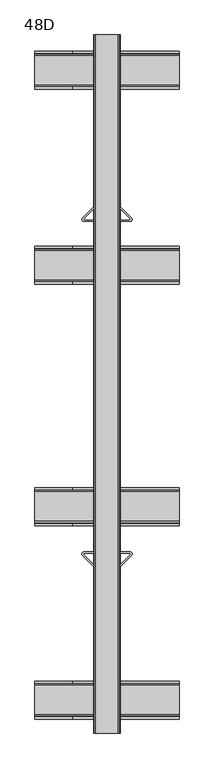
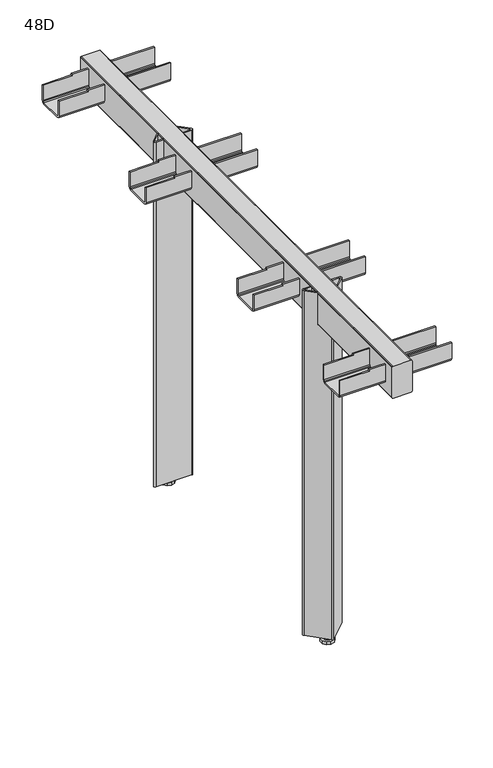
"""IFC4 building model written with IfcOpenShell, lengths in millimetres: furniture geometry, 48D."""

from ifc_helpers import new_model, si_unit, frame, origin, origin_with_axes, place, context, project, spatial, polyline, circle_curve, outline, extrude, faceted_brep, source, transform, mapped, element, save
from ifc_brep_helpers import plane_surface, cylinder_surface, revolved_surface, advanced_brep


def furniture_48d_7813a06a(model_context):
    return source(origin(), model_context, "Body", "SolidModel", [
        advanced_brep(
        [(68.9281289, -871.3117113, 696.230904), (85.4456, -887.8291824, 696.230904), (85.4456, -885.0007553, 696.230904), (70.8473677, -870.402523, 696.230904), (71.5544745, -868.6954162, 696.230904), (85.2456009, -868.6954162, 696.230904), (85.2456009, -866.702523, 696.230904), (70.8373172, -866.702523, 696.230904), (138.1538828, -866.702523, 696.230904), (123.7455991, -866.702523, 696.230904), (123.7455991, -868.6954162, 696.230904), (137.4367255, -868.6954162, 696.230904), (138.1438323, -870.402523, 696.230904), (123.5456, -885.0007553, 696.230904), (123.5456, -887.8291824, 696.230904), (140.0630711, -871.3117113, 696.230904), (68.9281289, -871.3117113, 13.2308796), (70.8373172, -866.702523, 13.2308796), (138.1538828, -866.702523, 13.2308796), (140.0630711, -871.3117113, 13.2308796), (106.4047883, -904.9699941, 13.2308796), (102.5864117, -904.9699941, 13.2308796), (70.8473677, -870.402523, 13.2308796), (103.7884932, -903.3436485, 13.2308796), (105.2027068, -903.3436485, 13.2308796), (138.1438323, -870.402523, 13.2308796), (137.4367255, -868.6954162, 13.2308796), (71.5544745, -868.6954162, 13.2308796), (85.2456009, -866.702523, 632.7308556), (123.7455991, -866.702523, 632.7308556), (123.5456, -887.8291824, 632.7308556), (106.4047883, -904.9699941, 632.7308556), (102.5864117, -904.9699941, 632.7308556), (85.4456, -887.8291824, 632.7308556), (85.4456, -885.0007553, 632.7308556), (103.7884932, -903.3436485, 632.7308556), (105.2027068, -903.3436485, 632.7308556), (123.5456, -885.0007553, 632.7308556), (123.7455991, -868.6954162, 632.7308556), (85.2456009, -868.6954162, 632.7308556)],
        [
            (0, 1),
            (1, 2),
            (2, 3),
            (3, 4, circle_curve(frame((71.5544745, -869.6954162, 696.230904), z_axis=(0.0, 0.0, -1.0), x_axis=(1.0, 0.0, 0.0)), 1.0)),
            (4, 5),
            (5, 6),
            (6, 7),
            (7, 0, circle_curve(frame((70.8373172, -869.402523, 696.230904), z_axis=(0.0, 0.0, 1.0), x_axis=(1.0, 0.0, 0.0)), 2.7)),
            (8, 9),
            (9, 10),
            (10, 11),
            (11, 12, circle_curve(frame((137.4367255, -869.6954162, 696.230904), z_axis=(0.0, 0.0, -1.0), x_axis=(1.0, 0.0, 0.0)), 1.0)),
            (12, 13),
            (13, 14),
            (14, 15),
            (15, 8, circle_curve(frame((138.1538828, -869.402523, 696.230904), z_axis=(0.0, 0.0, 1.0), x_axis=(1.0, 0.0, 0.0)), 2.7)),
            (16, 17, circle_curve(frame((70.8373172, -869.402523, 13.2308796), z_axis=(0.0, 0.0, -1.0), x_axis=(1.0, 0.0, 0.0)), 2.7)),
            (17, 18),
            (18, 19, circle_curve(frame((138.1538828, -869.402523, 13.2308796), z_axis=(0.0, 0.0, -1.0), x_axis=(1.0, 0.0, 0.0)), 2.7)),
            (19, 20),
            (20, 21, circle_curve(frame((104.4956, -903.0608058, 13.2308796), z_axis=(0.0, 0.0, -1.0), x_axis=(1.0, 0.0, 0.0)), 2.7)),
            (21, 16),
            (22, 23),
            (23, 24, circle_curve(frame((104.4956, -902.6365417, 13.2308796), z_axis=(0.0, 0.0, 1.0), x_axis=(1.0, 0.0, 0.0)), 1.0)),
            (24, 25),
            (25, 26, circle_curve(frame((137.4367255, -869.6954162, 13.2308796), z_axis=(0.0, 0.0, 1.0), x_axis=(1.0, 0.0, 0.0)), 1.0)),
            (26, 27),
            (27, 22, circle_curve(frame((71.5544745, -869.6954162, 13.2308796), z_axis=(0.0, 0.0, 1.0), x_axis=(1.0, 0.0, 0.0)), 1.0)),
            (7, 17),
            (16, 0),
            (6, 28),
            (28, 29),
            (29, 9),
            (8, 18),
            (15, 19),
            (14, 30),
            (30, 31),
            (31, 20),
            (31, 32, circle_curve(frame((104.4956, -903.0608058, 632.7308556), z_axis=(0.0, 0.0, -1.0), x_axis=(1.0, 0.0, 0.0)), 2.7)),
            (32, 21),
            (32, 33),
            (33, 1),
            (22, 3),
            (2, 34),
            (34, 35),
            (35, 23),
            (35, 36, circle_curve(frame((104.4956, -902.6365417, 632.7308556), z_axis=(0.0, 0.0, 1.0), x_axis=(1.0, 0.0, 0.0)), 1.0)),
            (36, 24),
            (36, 37),
            (37, 13),
            (12, 25),
            (11, 26),
            (10, 38),
            (38, 39),
            (39, 5),
            (4, 27),
            (38, 29),
            (28, 39),
            (30, 37),
            (34, 33),
        ],
        [
            plane_surface(frame((73.5373172, -869.402523, 696.230904), z_axis=(0.0, 0.0, 1.0), x_axis=(0.0, -1.0, 0.0))),
            plane_surface(frame((73.5373172, -869.402523, 13.2308796), z_axis=(0.0, 0.0, -1.0), x_axis=(0.0, 1.0, 0.0))),
            cylinder_surface(frame((70.8373172, -869.402523, 13.2308796), z_axis=(0.0, 0.0, 1.0), x_axis=(1.0, 0.0, 0.0)), 2.7),
            plane_surface(frame((70.8373172, -866.702523, 696.230904), z_axis=(0.0, 1.0, 0.0), x_axis=(0.0, 0.0, -1.0))),
            cylinder_surface(frame((138.1538828, -869.402523, 13.2308796), z_axis=(0.0, 0.0, 1.0), x_axis=(1.0, 0.0, 0.0)), 2.7),
            plane_surface(frame((140.0630711, -871.3117113, 696.230904), z_axis=(0.7071067811865573, -0.7071067811865377, 0.0), x_axis=(0.0, 0.0, -1.0))),
            cylinder_surface(frame((104.4956, -903.0608058, 13.2308796), z_axis=(0.0, 0.0, 1.0), x_axis=(1.0, 0.0, 0.0)), 2.7),
            plane_surface(frame((102.5864117, -904.9699941, 696.230904), z_axis=(-0.7071067811865985, -0.7071067811864966, 0.0), x_axis=(0.0, 0.0, -1.0))),
            plane_surface(frame((70.8473677, -870.402523, 696.230904), z_axis=(0.7071067811865628, 0.7071067811865323, 0.0), x_axis=(0.0, 0.0, -1.0))),
            revolved_surface(polyline([(105.4956, -902.6365417, 13.2308796), (105.4956, -902.6365417, 632.7308556)]), (104.4956, -902.6365417, 0.0), (0.0, 0.0, -1.0)),
            plane_surface(frame((105.2027068, -903.3436485, 696.230904), z_axis=(-0.7071067811865942, 0.7071067811865008, 0.0), x_axis=(0.0, 0.0, -1.0))),
            revolved_surface(polyline([(138.4367255, -869.6954162, 13.2308796), (138.4367255, -869.6954162, 696.230904)]), (137.4367255, -869.6954162, 0.0), (0.0, 0.0, -1.0)),
            plane_surface(frame((137.4367255, -868.6954162, 696.230904), z_axis=(0.0, -1.0, 0.0), x_axis=(0.0, 0.0, -1.0))),
            revolved_surface(polyline([(72.5544745, -869.6954162, 13.2308796), (72.5544745, -869.6954162, 696.230904)]), (71.5544745, -869.6954162, 0.0), (0.0, 0.0, -1.0)),
            plane_surface(frame((85.2456009, -868.6954162, 632.7308556), z_axis=(0.0, 0.0, 1.0), x_axis=(1.0, 0.0, 0.0))),
            plane_surface(frame((85.2456009, -868.6954162, 696.230904), z_axis=(1.0, 0.0, 0.0), x_axis=(0.0, 0.0, -1.0))),
            plane_surface(frame((123.7455991, -866.702523, 696.230904), z_axis=(-1.0, 0.0, 0.0), x_axis=(0.0, 0.0, -1.0))),
            plane_surface(frame((85.4456, -885.0007553, 632.7308556), z_axis=(0.0, 0.0, 1.0), x_axis=(0.0, -1.0, 0.0))),
            plane_surface(frame((85.4456, -887.8291824, 696.230904), z_axis=(1.0, 0.0, 0.0), x_axis=(0.0, 0.0, -1.0))),
            plane_surface(frame((123.5456, -885.0007553, 696.230904), z_axis=(-1.0, 0.0, 0.0), x_axis=(0.0, 0.0, -1.0))),
        ],
        [
            (0, [[1, 2, 3, 4, 5, 6, 7, 8]]),
            (0, [[9, 10, 11, 12, 13, 14, 15, 16]]),
            (1, [[17, 18, 19, 20, 21, 22], [23, 24, 25, 26, 27, 28]]),
            (2, [[29, -17, 30, -8]]),
            (3, [[-29, -7, 31, 32, 33, -9, 34, -18]]),
            (4, [[35, -19, -34, -16]]),
            (5, [[-35, -15, 36, 37, 38, -20]]),
            (6, [[-38, 39, 40, -21]]),
            (7, [[-40, 41, 42, -1, -30, -22]]),
            (8, [[43, -3, 44, 45, 46, -23]]),
            (9, [[-46, 47, 48, -24]]),
            (10, [[-48, 49, 50, -13, 51, -25]]),
            (11, [[52, -26, -51, -12]]),
            (12, [[-52, -11, 53, 54, 55, -5, 56, -27]]),
            (13, [[-43, -28, -56, -4]]),
            (14, [[-54, 57, -32, 58]]),
            (15, [[-31, -6, -55, -58]]),
            (16, [[-53, -10, -33, -57]]),
            (17, [[-41, -39, -37, 59, -49, -47, -45, 60]]),
            (18, [[-44, -2, -42, -60]]),
            (19, [[-36, -14, -50, -59]]),
        ],
    ),
        extrude(outline(polyline([(104.4956, -890.3418345), (101.0585616, -888.3574625), (101.0585616, -884.3887095), (104.4956, -882.4043375), (107.9326384, -884.3887095), (107.9326384, -888.3574625), (104.4956, -890.3418345)])), frame((0.0, 0.0, 10.9000001), z_axis=(0.0, 0.0, 1.0), x_axis=(1.0, 0.0, 0.0)), (0.0, 0.0, 1.0), 62.0000015),
        extrude(outline(polyline([(104.4956, -894.3130856), (97.6193584, -890.3430835), (97.6193584, -882.403084), (104.4956, -878.4330865), (111.3718416, -882.403084), (111.3718416, -890.3430835), (104.4956, -894.3130856)])), frame((0.0, 0.0, 5.7200003), z_axis=(0.0, 0.0, 1.0), x_axis=(1.0, 0.0, 0.0)), (0.0, 0.0, 1.0), 5.1799998),
        extrude(outline(polyline([(97.2559472, -896.3376123), (92.7815962, -890.1791946), (92.7815962, -882.566973), (97.2559472, -876.4085598), (104.4956, -874.0562552), (111.7352528, -876.4085598), (116.2096038, -882.566973), (116.2096038, -890.1791946), (111.7352528, -896.3376123), (104.4956, -898.6899192), (97.2559472, -896.3376123)])), origin_with_axes(), (0.0, 0.0, 1.0), 5.7200003),
        advanced_brep(
        [(68.9281289, -382.9288173, 696.230904), (70.8373172, -387.5380056, 696.230904), (85.2456009, -387.5380056, 696.230904), (85.2456009, -385.5451124, 696.230904), (71.5544745, -385.5451124, 696.230904), (70.8473677, -383.8380056, 696.230904), (85.4456, -369.2397733, 696.230904), (85.4456, -366.4113462, 696.230904), (138.1538828, -387.5380056, 696.230904), (140.0630711, -382.9288173, 696.230904), (123.5456, -366.4113462, 696.230904), (123.5456, -369.2397733, 696.230904), (138.1438323, -383.8380056, 696.230904), (137.4367255, -385.5451124, 696.230904), (123.7455991, -385.5451124, 696.230904), (123.7455991, -387.5380056, 696.230904), (68.9281289, -382.9288173, 13.2308796), (102.5864117, -349.2705345, 13.2308796), (106.4047883, -349.2705345, 13.2308796), (140.0630711, -382.9288173, 13.2308796), (138.1538828, -387.5380056, 13.2308796), (70.8373172, -387.5380056, 13.2308796), (70.8473677, -383.8380056, 13.2308796), (71.5544745, -385.5451124, 13.2308796), (137.4367255, -385.5451124, 13.2308796), (138.1438323, -383.8380056, 13.2308796), (105.2027068, -350.8968801, 13.2308796), (103.7884932, -350.8968801, 13.2308796), (123.7455991, -387.5380056, 632.7308556), (85.2456009, -387.5380056, 632.7308556), (106.4047883, -349.2705345, 632.7308556), (123.5456, -366.4113462, 632.7308556), (102.5864117, -349.2705345, 632.7308556), (85.4456, -366.4113462, 632.7308556), (103.7884932, -350.8968801, 632.7308556), (85.4456, -369.2397733, 632.7308556), (105.2027068, -350.8968801, 632.7308556), (123.5456, -369.2397733, 632.7308556), (85.2456009, -385.5451124, 632.7308556), (123.7455991, -385.5451124, 632.7308556)],
        [
            (0, 1, circle_curve(frame((70.8373172, -384.8380056, 696.230904), z_axis=(0.0, 0.0, 1.0), x_axis=(1.0, 0.0, 0.0)), 2.7)),
            (1, 2),
            (2, 3),
            (3, 4),
            (4, 5, circle_curve(frame((71.5544745, -384.5451124, 696.230904), z_axis=(0.0, 0.0, -1.0), x_axis=(1.0, 0.0, 0.0)), 1.0)),
            (5, 6),
            (6, 7),
            (7, 0),
            (8, 9, circle_curve(frame((138.1538828, -384.8380056, 696.230904), z_axis=(0.0, 0.0, 1.0), x_axis=(1.0, 0.0, 0.0)), 2.7)),
            (9, 10),
            (10, 11),
            (11, 12),
            (12, 13, circle_curve(frame((137.4367255, -384.5451124, 696.230904), z_axis=(0.0, 0.0, -1.0), x_axis=(1.0, 0.0, 0.0)), 1.0)),
            (13, 14),
            (14, 15),
            (15, 8),
            (16, 17),
            (17, 18, circle_curve(frame((104.4956, -351.1797228, 13.2308796), z_axis=(0.0, 0.0, -1.0), x_axis=(1.0, 0.0, 0.0)), 2.7)),
            (18, 19),
            (19, 20, circle_curve(frame((138.1538828, -384.8380056, 13.2308796), z_axis=(0.0, 0.0, -1.0), x_axis=(1.0, 0.0, 0.0)), 2.7)),
            (20, 21),
            (21, 16, circle_curve(frame((70.8373172, -384.8380056, 13.2308796), z_axis=(0.0, 0.0, -1.0), x_axis=(1.0, 0.0, 0.0)), 2.7)),
            (22, 23, circle_curve(frame((71.5544745, -384.5451124, 13.2308796), z_axis=(0.0, 0.0, 1.0), x_axis=(1.0, 0.0, 0.0)), 1.0)),
            (23, 24),
            (24, 25, circle_curve(frame((137.4367255, -384.5451124, 13.2308796), z_axis=(0.0, 0.0, 1.0), x_axis=(1.0, 0.0, 0.0)), 1.0)),
            (25, 26),
            (26, 27, circle_curve(frame((104.4956, -351.6039869, 13.2308796), z_axis=(0.0, 0.0, 1.0), x_axis=(1.0, 0.0, 0.0)), 1.0)),
            (27, 22),
            (0, 16),
            (21, 1),
            (20, 8),
            (15, 28),
            (28, 29),
            (29, 2),
            (19, 9),
            (18, 30),
            (30, 31),
            (31, 10),
            (17, 32),
            (32, 30, circle_curve(frame((104.4956, -351.1797228, 632.7308556), z_axis=(0.0, 0.0, -1.0), x_axis=(1.0, 0.0, 0.0)), 2.7)),
            (7, 33),
            (33, 32),
            (27, 34),
            (34, 35),
            (35, 6),
            (5, 22),
            (26, 36),
            (36, 34, circle_curve(frame((104.4956, -351.6039869, 632.7308556), z_axis=(0.0, 0.0, 1.0), x_axis=(1.0, 0.0, 0.0)), 1.0)),
            (25, 12),
            (11, 37),
            (37, 36),
            (24, 13),
            (23, 4),
            (3, 38),
            (38, 39),
            (39, 14),
            (38, 29),
            (28, 39),
            (33, 35),
            (37, 31),
        ],
        [
            plane_surface(frame((73.5373172, -384.8380056, 696.230904), z_axis=(0.0, 0.0, 1.0), x_axis=(0.0, 1.0, 0.0))),
            plane_surface(frame((73.5373172, -384.8380056, 13.2308796), z_axis=(0.0, 0.0, -1.0), x_axis=(0.0, -1.0, 0.0))),
            cylinder_surface(frame((70.8373172, -384.8380056, 13.2308796), z_axis=(0.0, 0.0, 1.0), x_axis=(1.0, 0.0, 0.0)), 2.7),
            plane_surface(frame((70.8373172, -387.5380056, 696.230904), z_axis=(0.0, -1.0, 0.0), x_axis=(0.0, 0.0, -1.0))),
            cylinder_surface(frame((138.1538828, -384.8380056, 13.2308796), z_axis=(0.0, 0.0, 1.0), x_axis=(1.0, 0.0, 0.0)), 2.7),
            plane_surface(frame((140.0630711, -382.9288173, 696.230904), z_axis=(0.707106781186562, 0.707106781186533, 0.0), x_axis=(0.0, 0.0, -1.0))),
            cylinder_surface(frame((104.4956, -351.1797228, 13.2308796), z_axis=(0.0, 0.0, 1.0), x_axis=(1.0, 0.0, 0.0)), 2.7),
            plane_surface(frame((102.5864117, -349.2705345, 696.230904), z_axis=(-0.7071067811865939, 0.7071067811865013, 0.0), x_axis=(0.0, 0.0, -1.0))),
            plane_surface(frame((70.8473677, -383.8380056, 696.230904), z_axis=(0.7071067811865581, -0.7071067811865369, 0.0), x_axis=(0.0, 0.0, -1.0))),
            revolved_surface(polyline([(105.4956, -351.6039869, 13.2308796), (105.4956, -351.6039869, 632.7308556)]), (104.4956, -351.6039869, 0.0), (0.0, 0.0, -1.0)),
            plane_surface(frame((105.2027068, -350.8968801, 696.230904), z_axis=(-0.7071067811865989, -0.7071067811864962, 0.0), x_axis=(0.0, 0.0, -1.0))),
            revolved_surface(polyline([(138.4367255, -384.5451124, 13.2308796), (138.4367255, -384.5451124, 696.230904)]), (137.4367255, -384.5451124, 0.0), (0.0, 0.0, -1.0)),
            plane_surface(frame((137.4367255, -385.5451124, 696.230904), z_axis=(0.0, 1.0, 0.0), x_axis=(0.0, 0.0, -1.0))),
            revolved_surface(polyline([(72.5544745, -384.5451124, 13.2308796), (72.5544745, -384.5451124, 696.230904)]), (71.5544745, -384.5451124, 0.0), (0.0, 0.0, -1.0)),
            plane_surface(frame((85.2456009, -385.5451124, 632.7308556), z_axis=(0.0, 0.0, 1.0), x_axis=(1.0, 0.0, 0.0))),
            plane_surface(frame((85.2456009, -385.5451124, 696.230904), z_axis=(1.0, 0.0, 0.0), x_axis=(0.0, 0.0, -1.0))),
            plane_surface(frame((123.7455991, -387.5380056, 696.230904), z_axis=(-1.0, 0.0, 0.0), x_axis=(0.0, 0.0, -1.0))),
            plane_surface(frame((85.4456, -369.2397733, 632.7308556), z_axis=(0.0, 0.0, 1.0), x_axis=(0.0, 1.0, 0.0))),
            plane_surface(frame((85.4456, -366.4113462, 696.230904), z_axis=(1.0, 0.0, 0.0), x_axis=(0.0, 0.0, -1.0))),
            plane_surface(frame((123.5456, -369.2397733, 696.230904), z_axis=(-1.0, 0.0, 0.0), x_axis=(0.0, 0.0, -1.0))),
        ],
        [
            (0, [[1, 2, 3, 4, 5, 6, 7, 8]]),
            (0, [[9, 10, 11, 12, 13, 14, 15, 16]]),
            (1, [[17, 18, 19, 20, 21, 22], [23, 24, 25, 26, 27, 28]]),
            (2, [[-1, 29, -22, 30]]),
            (3, [[-21, 31, -16, 32, 33, 34, -2, -30]]),
            (4, [[-9, -31, -20, 35]]),
            (5, [[-19, 36, 37, 38, -10, -35]]),
            (6, [[-18, 39, 40, -36]]),
            (7, [[-17, -29, -8, 41, 42, -39]]),
            (8, [[-28, 43, 44, 45, -6, 46]]),
            (9, [[-27, 47, 48, -43]]),
            (10, [[-26, 49, -12, 50, 51, -47]]),
            (11, [[-13, -49, -25, 52]]),
            (12, [[-24, 53, -4, 54, 55, 56, -14, -52]]),
            (13, [[-5, -53, -23, -46]]),
            (14, [[57, -33, 58, -55]]),
            (15, [[-57, -54, -3, -34]]),
            (16, [[-58, -32, -15, -56]]),
            (17, [[59, -44, -48, -51, 60, -37, -40, -42]]),
            (18, [[-59, -41, -7, -45]]),
            (19, [[-60, -50, -11, -38]]),
        ],
    ),
        extrude(outline(polyline([(104.4956, -363.8986941), (107.9326384, -365.8830661), (107.9326384, -369.8518191), (104.4956, -371.8361911), (101.0585616, -369.8518191), (101.0585616, -365.8830661), (104.4956, -363.8986941)])), frame((0.0, 0.0, 10.9000001), z_axis=(0.0, 0.0, 1.0), x_axis=(1.0, 0.0, 0.0)), (0.0, 0.0, 1.0), 62.0000015),
        extrude(outline(polyline([(104.4956, -359.927443), (111.3718416, -363.8974451), (111.3718416, -371.8374446), (104.4956, -375.8074421), (97.6193584, -371.8374446), (97.6193584, -363.8974451), (104.4956, -359.927443)])), frame((0.0, 0.0, 5.7200003), z_axis=(0.0, 0.0, 1.0), x_axis=(1.0, 0.0, 0.0)), (0.0, 0.0, 1.0), 5.1799998),
        extrude(outline(polyline([(97.2559472, -357.9029164), (104.4956, -355.5506095), (111.7352528, -357.9029164), (116.2096038, -364.0613341), (116.2096038, -371.6735557), (111.7352528, -377.8319688), (104.4956, -380.1842735), (97.2559472, -377.8319688), (92.7815962, -371.6735557), (92.7815962, -364.0613341), (97.2559472, -357.9029164)])), origin_with_axes(), (0.0, 0.0, 1.0), 5.7200003),
        faceted_brep([(54.4955996, -1105.9053196, 685.2308487), (54.4955996, -1108.9053181, 685.2308487), (54.4955996, -1108.9053181, 688.2308836), (54.4955996, -1105.9053196, 688.2308836), (54.4955996, -1053.9143181, 685.2308487), (54.4955996, -1056.9053127, 685.2308487), (54.4955996, -1056.9053127, 688.2308836), (54.4955996, -1053.9143181, 688.2308836), (0.0, -1105.9053196, 685.2308487), (0.0, -1108.9053181, 685.2308487), (0.0, -1053.9143181, 685.2308487), (0.0, -1056.9053127, 685.2308487), (208.9912, -1059.9053112, 650.2308775), (208.9912, -1055.6626741, 651.9882557), (208.9912, -1053.9143181, 656.209137), (208.9912, -1053.9143181, 688.2308836), (208.9912, -1056.9053127, 688.2308836), (208.9912, -1056.9053127, 656.2308746), (208.9912, -1057.7840018, 654.1095652), (208.9912, -1059.9053112, 653.2309124), (208.9912, -1102.905321, 653.2309124), (208.9912, -1105.0266396, 654.1095652), (208.9912, -1105.9053196, 656.2308746), (208.9912, -1105.9053196, 688.2308836), (208.9912, -1108.9053181, 688.2308836), (208.9912, -1108.9053181, 656.2308746), (208.9912, -1107.1479581, 651.9882557), (208.9912, -1102.905321, 650.2308775), (0.0, -1059.9053112, 650.2308775), (0.0, -1102.905321, 650.2308775), (0.0, -1107.1479581, 651.9882557), (0.0, -1108.9053181, 656.2308746), (0.0, -1105.9053196, 656.2308746), (0.0, -1105.0266396, 654.1095652), (0.0, -1102.905321, 653.2309124), (0.0, -1059.9053112, 653.2309124), (0.0, -1057.7840018, 654.1095652), (0.0, -1056.9053127, 656.2308746), (0.0, -1053.9143181, 656.209137), (0.0, -1055.6626741, 651.9882557)], [[[0, 1, 2, 3]], [[4, 5, 6, 7]], [[1, 0, 8, 9]], [[5, 4, 10, 11]], [[12, 13, 14, 15, 16, 17, 18, 19, 20, 21, 22, 23, 24, 25, 26, 27]], [[28, 29, 30, 31, 9, 8, 32, 33, 34, 35, 36, 37, 11, 10, 38, 39]], [[12, 27, 29, 28]], [[27, 26, 30, 29]], [[26, 25, 31, 30]], [[25, 24, 2, 1, 9, 31]], [[24, 23, 3, 2]], [[23, 22, 32, 8, 0, 3]], [[22, 21, 33, 32]], [[21, 20, 34, 33]], [[20, 19, 35, 34]], [[19, 18, 36, 35]], [[18, 17, 37, 36]], [[17, 16, 6, 5, 11, 37]], [[16, 15, 7, 6]], [[15, 14, 38, 10, 4, 7]], [[14, 13, 39, 38]], [[13, 12, 28, 39]]]),
        faceted_brep([(54.4955996, -140.5727105, 685.2308487), (54.4955996, -143.572709, 685.2308487), (54.4955996, -143.572709, 688.2308836), (54.4955996, -140.5727105, 688.2308836), (54.4955996, -192.572716, 685.2308487), (54.4955996, -195.5637105, 685.2308487), (54.4955996, -195.5637105, 688.2308836), (54.4955996, -192.572716, 688.2308836), (0.0, -140.5727105, 685.2308487), (0.0, -143.572709, 685.2308487), (0.0, -192.572716, 685.2308487), (0.0, -195.5637105, 685.2308487), (208.9912, -189.5727174, 650.2308775), (208.9912, -146.5727076, 650.2308775), (208.9912, -142.3300705, 651.9882557), (208.9912, -140.5727105, 656.2308746), (208.9912, -140.5727105, 688.2308836), (208.9912, -143.572709, 688.2308836), (208.9912, -143.572709, 656.2308746), (208.9912, -144.4513891, 654.1095652), (208.9912, -146.5727076, 653.2309124), (208.9912, -189.5727174, 653.2309124), (208.9912, -191.6940269, 654.1095652), (208.9912, -192.572716, 656.2308746), (208.9912, -192.572716, 688.2308836), (208.9912, -195.5637105, 688.2308836), (208.9912, -195.5637105, 656.209137), (208.9912, -193.8153545, 651.9882557), (0.0, -189.5727174, 650.2308775), (0.0, -193.8153545, 651.9882557), (0.0, -195.5637105, 656.209137), (0.0, -192.572716, 656.2308746), (0.0, -191.6940269, 654.1095652), (0.0, -189.5727174, 653.2309124), (0.0, -146.5727076, 653.2309124), (0.0, -144.4513891, 654.1095652), (0.0, -143.572709, 656.2308746), (0.0, -140.5727105, 656.2308746), (0.0, -142.3300705, 651.9882557), (0.0, -146.5727076, 650.2308775)], [[[0, 1, 2, 3]], [[4, 5, 6, 7]], [[1, 0, 8, 9]], [[5, 4, 10, 11]], [[12, 13, 14, 15, 16, 17, 18, 19, 20, 21, 22, 23, 24, 25, 26, 27]], [[28, 29, 30, 11, 10, 31, 32, 33, 34, 35, 36, 9, 8, 37, 38, 39]], [[13, 12, 28, 39]], [[14, 13, 39, 38]], [[15, 14, 38, 37]], [[16, 15, 37, 8, 0, 3]], [[17, 16, 3, 2]], [[18, 17, 2, 1, 9, 36]], [[19, 18, 36, 35]], [[20, 19, 35, 34]], [[21, 20, 34, 33]], [[22, 21, 33, 32]], [[23, 22, 32, 31]], [[24, 23, 31, 10, 4, 7]], [[25, 24, 7, 6]], [[26, 25, 6, 5, 11, 30]], [[27, 26, 30, 29]], [[12, 27, 29, 28]]]),
        faceted_brep([(208.9912, -779.5316593, 650.2308775), (208.9912, -775.2890222, 651.9882557), (208.9912, -773.5406662, 656.209137), (208.9912, -773.5406662, 688.2308836), (208.9912, -776.5316607, 688.2308836), (208.9912, -776.5316607, 656.2308746), (208.9912, -777.4103498, 654.1095652), (208.9912, -779.5316593, 653.2309124), (208.9912, -822.5316691, 653.2309124), (208.9912, -824.6529876, 654.1095652), (208.9912, -825.5316677, 656.2308746), (208.9912, -825.5316677, 688.2308836), (208.9912, -828.5316662, 688.2308836), (208.9912, -828.5316662, 656.2308746), (208.9912, -826.7743062, 651.9882557), (208.9912, -822.5316691, 650.2308775), (0.0, -779.5316593, 650.2308775), (0.0, -822.5316691, 650.2308775), (0.0, -826.7743062, 651.9882557), (0.0, -828.5316662, 656.2308746), (0.0, -828.5316662, 685.2308487), (0.0, -825.5316677, 685.2308487), (0.0, -825.5316677, 656.2308746), (0.0, -824.6529876, 654.1095652), (0.0, -822.5316691, 653.2309124), (0.0, -779.5316593, 653.2309124), (0.0, -777.4103498, 654.1095652), (0.0, -776.5316607, 656.2308746), (0.0, -776.5316607, 685.2308487), (0.0, -773.5406662, 685.2308487), (0.0, -773.5406662, 656.209137), (0.0, -775.2890222, 651.9882557), (54.4955996, -828.5316662, 688.2308836), (54.4955996, -828.5316662, 685.2308487), (54.4955996, -825.5316677, 688.2308836), (54.4955996, -825.5316677, 685.2308487), (54.4955996, -776.5316607, 688.2308836), (54.4955996, -776.5316607, 685.2308487), (54.4955996, -773.5406662, 688.2308836), (54.4955996, -773.5406662, 685.2308487)], [[[0, 1, 2, 3, 4, 5, 6, 7, 8, 9, 10, 11, 12, 13, 14, 15]], [[16, 17, 18, 19, 20, 21, 22, 23, 24, 25, 26, 27, 28, 29, 30, 31]], [[0, 15, 17, 16]], [[15, 14, 18, 17]], [[14, 13, 19, 18]], [[13, 12, 32, 33, 20, 19]], [[12, 11, 34, 32]], [[11, 10, 22, 21, 35, 34]], [[10, 9, 23, 22]], [[9, 8, 24, 23]], [[8, 7, 25, 24]], [[7, 6, 26, 25]], [[6, 5, 27, 26]], [[5, 4, 36, 37, 28, 27]], [[4, 3, 38, 36]], [[3, 2, 30, 29, 39, 38]], [[2, 1, 31, 30]], [[1, 0, 16, 31]], [[35, 33, 32, 34]], [[39, 37, 36, 38]], [[33, 35, 21, 20]], [[37, 39, 29, 28]]]),
        faceted_brep([(208.9912, -472.3276193, 650.2308775), (208.9912, -429.3276095, 650.2308775), (208.9912, -425.0849724, 651.9882557), (208.9912, -423.3276124, 656.2308746), (208.9912, -423.3276124, 688.2308836), (208.9912, -426.327611, 688.2308836), (208.9912, -426.327611, 656.2308746), (208.9912, -427.206291, 654.1095652), (208.9912, -429.3276095, 653.2309124), (208.9912, -472.3276193, 653.2309124), (208.9912, -474.4489288, 654.1095652), (208.9912, -475.3276179, 656.2308746), (208.9912, -475.3276179, 688.2308836), (208.9912, -478.3186124, 688.2308836), (208.9912, -478.3186124, 656.209137), (208.9912, -476.5702564, 651.9882557), (0.0, -472.3276193, 650.2308775), (0.0, -476.5702564, 651.9882557), (0.0, -478.3186124, 656.209137), (0.0, -478.3186124, 685.2308487), (0.0, -475.3276179, 685.2308487), (0.0, -475.3276179, 656.2308746), (0.0, -474.4489288, 654.1095652), (0.0, -472.3276193, 653.2309124), (0.0, -429.3276095, 653.2309124), (0.0, -427.206291, 654.1095652), (0.0, -426.327611, 656.2308746), (0.0, -426.327611, 685.2308487), (0.0, -423.3276124, 685.2308487), (0.0, -423.3276124, 656.2308746), (0.0, -425.0849724, 651.9882557), (0.0, -429.3276095, 650.2308775), (54.4955996, -423.3276124, 685.2308487), (54.4955996, -423.3276124, 688.2308836), (54.4955996, -426.327611, 688.2308836), (54.4955996, -426.327611, 685.2308487), (54.4955996, -475.3276179, 685.2308487), (54.4955996, -475.3276179, 688.2308836), (54.4955996, -478.3186124, 688.2308836), (54.4955996, -478.3186124, 685.2308487)], [[[0, 1, 2, 3, 4, 5, 6, 7, 8, 9, 10, 11, 12, 13, 14, 15]], [[16, 17, 18, 19, 20, 21, 22, 23, 24, 25, 26, 27, 28, 29, 30, 31]], [[1, 0, 16, 31]], [[2, 1, 31, 30]], [[3, 2, 30, 29]], [[4, 3, 29, 28, 32, 33]], [[5, 4, 33, 34]], [[6, 5, 34, 35, 27, 26]], [[7, 6, 26, 25]], [[8, 7, 25, 24]], [[9, 8, 24, 23]], [[10, 9, 23, 22]], [[11, 10, 22, 21]], [[12, 11, 21, 20, 36, 37]], [[13, 12, 37, 38]], [[14, 13, 38, 39, 19, 18]], [[15, 14, 18, 17]], [[0, 15, 17, 16]], [[32, 35, 34, 33]], [[36, 39, 38, 37]], [[35, 32, 28, 27]], [[39, 36, 20, 19]]]),
        extrude(outline(polyline([(693.7309113, 85.5026323), (635.2308483, 85.5026323), (633.4630783, 86.2348653), (632.7308556, 88.0026319), (632.7308556, 121.1026327), (633.4630783, 122.8703993), (635.2308483, 123.6026323), (693.7309113, 123.6026323), (695.4986813, 122.8703993), (696.230904, 121.1026327), (696.230904, 88.0026319), (695.4986813, 86.2348653), (693.7309113, 85.5026323)])), frame((0.0, -1129.1515516, 0.0), z_axis=(0.0, 1.0, 0.0), x_axis=(0.0, 0.0, 1.0)), (0.0, 0.0, 1.0), 1012.0000746),
    ])


if __name__ == "__main__":
    model = new_model("IFC4")
    model_context = context("Model", 3, world=origin())
    ifc_project = project(units=[si_unit("LENGTHUNIT", "METRE", prefix="MILLI")], contexts=[model_context])
    site = spatial("IfcSite", under=ifc_project)
    building = spatial("IfcBuilding", under=site)
    placement = place(None, origin())
    furniture_48d_shape = furniture_48d_7813a06a(model_context)
    element("IfcFurniture", 1, ObjectType="48D", at=placement, inside=building, context=model_context, shape_type="MappedRepresentation", body=[
        mapped(furniture_48d_shape, transform((0.0, 0.0, 0.0), x_axis=(1.0, 0.0, 0.0), y_axis=(0.0, 1.0, 0.0), z_axis=(0.0, 0.0, 1.0))),
    ])
    save(model, "model.ifc")
